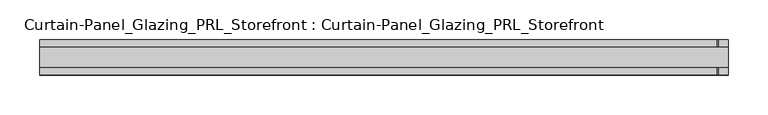
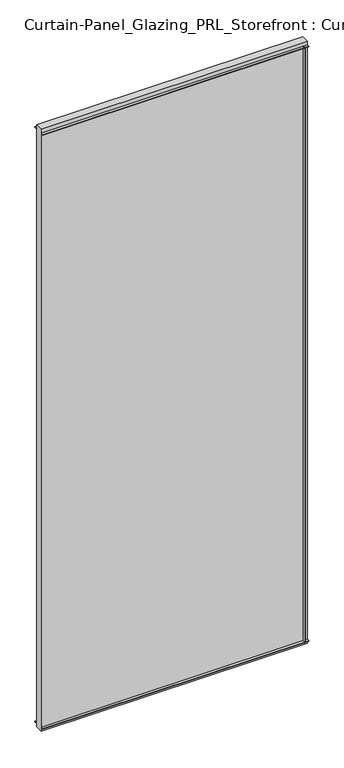
"""IFC4 building model written with IfcOpenShell, lengths in millimetres: plate geometry, Curtain-Panel_Glazing_PRL_Storefront : Curtain-Panel_Glazing_PRL_Storefront."""

from ifc_helpers import new_model, si_unit, frame, origin, origin_with_axes, place, context, project, spatial, polyline, outline, extrude, source, transform, mapped, element, save


def curtain_panel_glazing_prl_storefront_curtain_panel_glazing_bb56d560(model_context):
    return source(origin(), model_context, "Body", "SweptSolid", [
        extrude(outline(polyline([(422.275, -22.225), (420.6875, -22.225), (420.6875, -12.7), (422.275, -12.7), (422.275, -22.225)])), frame((0.0, 0.0, 12.7), z_axis=(0.0, 0.0, 1.0), x_axis=(1.0, 0.0, 0.0)), (0.0, 0.0, 1.0), 2051.05),
        extrude(outline(polyline([(422.275, 22.225), (422.275, 12.7), (420.6875, 12.7), (420.6875, 22.225), (422.275, 22.225)])), frame((0.0, 0.0, 12.7), z_axis=(0.0, 0.0, 1.0), x_axis=(1.0, 0.0, 0.0)), (0.0, 0.0, 1.0), 2051.05),
        extrude(outline(polyline([(434.975, 12.7), (434.975, -12.7), (-434.975, -12.7), (-434.975, 12.7), (434.975, 12.7)])), origin_with_axes(), (0.0, 0.0, 1.0), 2076.45),
        extrude(outline(polyline([(-434.975, -22.225), (-434.975, -12.7), (434.975, -12.7), (434.975, -22.225), (-434.975, -22.225)])), frame((0.0, 0.0, 2062.1625), z_axis=(0.0, 0.0, 1.0), x_axis=(1.0, 0.0, 0.0)), (0.0, 0.0, 1.0), 1.5875),
        extrude(outline(polyline([(-434.975, 22.225), (434.975, 22.225), (434.975, 12.7), (-434.975, 12.7), (-434.975, 22.225)])), frame((0.0, 0.0, 2062.1625), z_axis=(0.0, 0.0, 1.0), x_axis=(1.0, 0.0, 0.0)), (0.0, 0.0, 1.0), 1.5875),
        extrude(outline(polyline([(-434.975, -22.225), (-434.975, -12.7), (434.975, -12.7), (434.975, -22.225), (-434.975, -22.225)])), frame((0.0, 0.0, 12.7), z_axis=(0.0, 0.0, 1.0), x_axis=(1.0, 0.0, 0.0)), (0.0, 0.0, 1.0), 1.5875),
        extrude(outline(polyline([(-434.975, 22.225), (434.975, 22.225), (434.975, 12.7), (-434.975, 12.7), (-434.975, 22.225)])), frame((0.0, 0.0, 12.7), z_axis=(0.0, 0.0, 1.0), x_axis=(1.0, 0.0, 0.0)), (0.0, 0.0, 1.0), 1.5875),
    ])


if __name__ == "__main__":
    model = new_model("IFC4")
    model_context = context("Model", 3, world=origin())
    ifc_project = project(units=[si_unit("LENGTHUNIT", "METRE", prefix="MILLI")], contexts=[model_context])
    site = spatial("IfcSite", under=ifc_project)
    building = spatial("IfcBuilding", under=site)
    placement = place(None, origin())
    curtain_panel_glazing_prl_storefront_curtain_panel_glazing_shape = curtain_panel_glazing_prl_storefront_curtain_panel_glazing_bb56d560(model_context)
    element("IfcPlate", 1, ObjectType="Curtain-Panel_Glazing_PRL_Storefront : Curtain-Panel_Glazing_PRL_Storefront", at=placement, inside=building, context=model_context, shape_type="MappedRepresentation", body=[
        mapped(curtain_panel_glazing_prl_storefront_curtain_panel_glazing_shape, transform((0.0, 0.0, 0.0), x_axis=(1.0, 0.0, 0.0), y_axis=(0.0, 1.0, 0.0), z_axis=(0.0, 0.0, 1.0))),
    ])
    save(model, "model.ifc")
